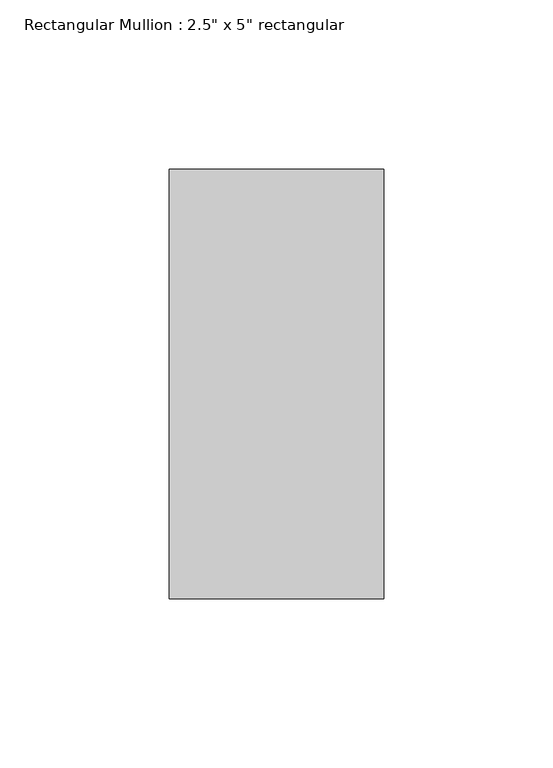
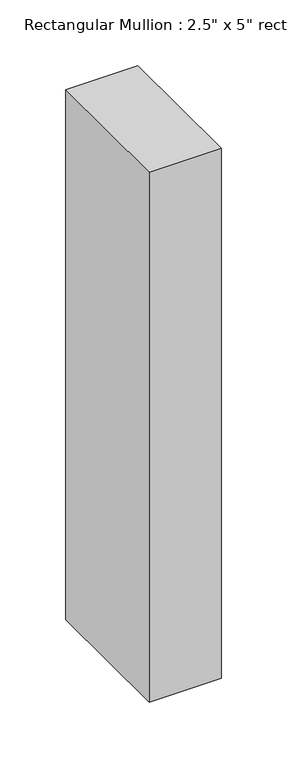
"""IFC4 building model written with IfcOpenShell, lengths in millimetres: member geometry."""

from ifc_helpers import new_model, si_unit, frame, origin, place, context, project, spatial, polyline, outline, extrude, source, transform, mapped, element, save


def member_db0edfaf(model_context):
    return source(origin(), model_context, "Body", "SweptSolid", [
        extrude(outline(polyline([(31.75, 63.5), (31.75, -63.5), (-31.75, -63.5), (-31.75, 63.5), (31.75, 63.5)])), frame((0.0, 0.0, -492.76), z_axis=(0.0, 0.0, 1.0), x_axis=(1.0, 0.0, 0.0)), (0.0, 0.0, 1.0), 492.76),
    ])


if __name__ == "__main__":
    model = new_model("IFC4")
    model_context = context("Model", 3, world=origin())
    ifc_project = project(units=[si_unit("LENGTHUNIT", "METRE", prefix="MILLI")], contexts=[model_context])
    site = spatial("IfcSite", under=ifc_project)
    building = spatial("IfcBuilding", under=site)
    placement = place(None, origin())
    member_shape = member_db0edfaf(model_context)
    element("IfcMember", 1, ObjectType="Rectangular Mullion : 2.5\" x 5\" rectangular", at=placement, inside=building, context=model_context, shape_type="MappedRepresentation", body=[
        mapped(member_shape, transform((0.0, 0.0, 0.0), x_axis=(1.0, 0.0, 0.0), y_axis=(0.0, 1.0, 0.0), z_axis=(0.0, 0.0, 1.0))),
    ])
    save(model, "model.ifc")
